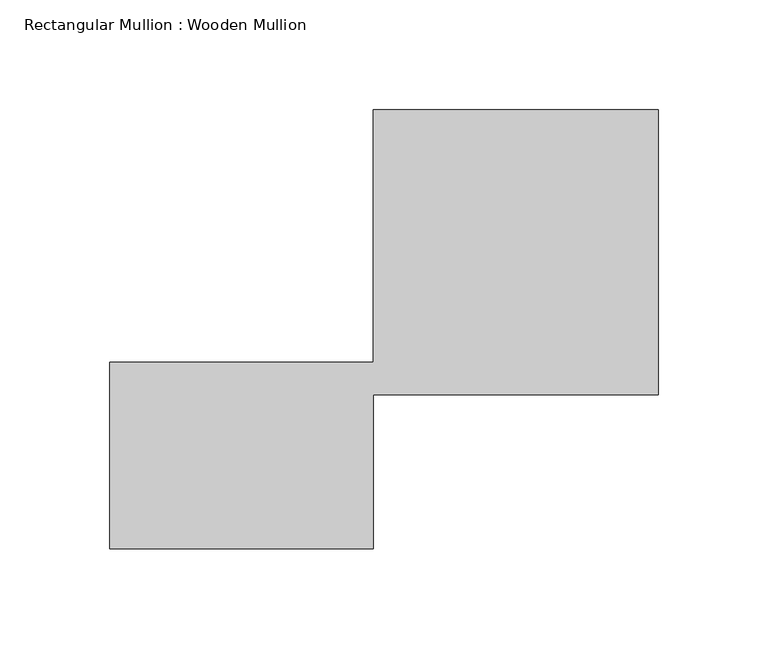
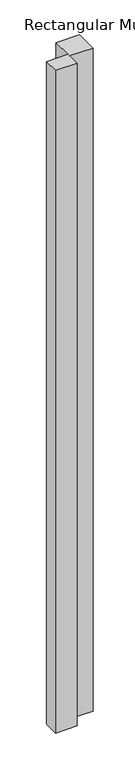
"""IFC4 building model written with IfcOpenShell, lengths in millimetres: member geometry, Rectangular Mullion : Wooden Mullion."""

from ifc_helpers import new_model, si_unit, frame, origin, place, context, project, spatial, polyline, outline, extrude, source, transform, mapped, element, save


def rectangular_mullion_wooden_mullion_d55772d8(model_context):
    return source(origin(), model_context, "Body", "SweptSolid", [
        extrude(outline(polyline([(74.8100006, -26.0137344), (-45.1899994, -26.0137344), (-45.1899994, 58.9862656), (74.8100006, 58.9862656), (74.8100006, 173.9862656), (204.8100006, 173.9862656), (204.8100006, 43.9862656), (74.8100006, 43.9862656), (74.8100006, -26.0137344)])), frame((0.0, 0.0, -3912.4753767), z_axis=(0.0, 0.0, 1.0), x_axis=(1.0, 0.0, 0.0)), (0.0, 0.0, 1.0), 3912.4753767),
    ])


if __name__ == "__main__":
    model = new_model("IFC4")
    model_context = context("Model", 3, world=origin())
    ifc_project = project(units=[si_unit("LENGTHUNIT", "METRE", prefix="MILLI")], contexts=[model_context])
    site = spatial("IfcSite", under=ifc_project)
    building = spatial("IfcBuilding", under=site)
    placement = place(None, origin())
    rectangular_mullion_wooden_mullion_shape = rectangular_mullion_wooden_mullion_d55772d8(model_context)
    element("IfcMember", 1, ObjectType="Rectangular Mullion : Wooden Mullion", at=placement, inside=building, context=model_context, shape_type="MappedRepresentation", body=[
        mapped(rectangular_mullion_wooden_mullion_shape, transform((0.0, 0.0, 0.0), x_axis=(1.0, 0.0, 0.0), y_axis=(0.0, 1.0, 0.0), z_axis=(0.0, 0.0, 1.0))),
    ])
    save(model, "model.ifc")
